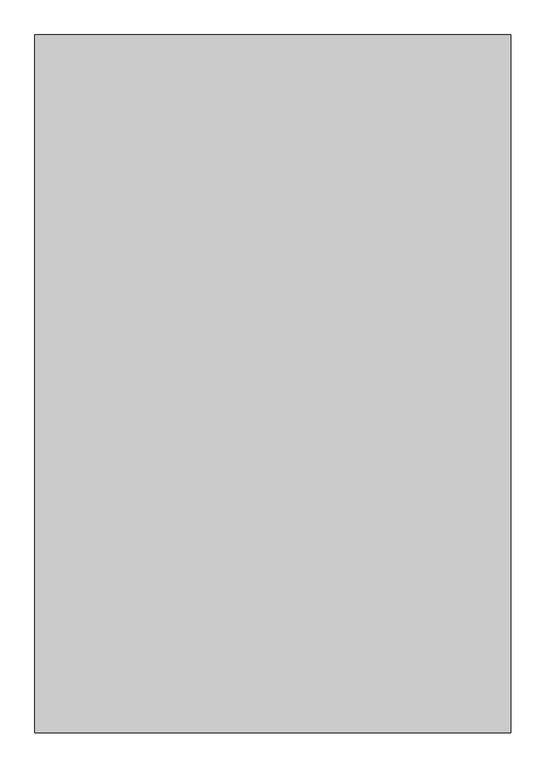
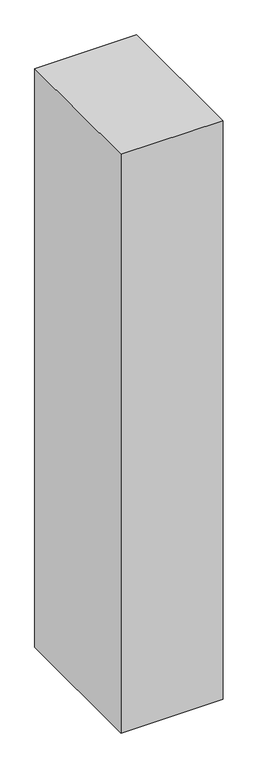
"""IFC4 building model written with IfcOpenShell, lengths in millimetres: proxy geometry."""

from ifc_helpers import new_model, si_unit, frame, origin, place, context, project, spatial, polyline, outline, extrude, source, transform, mapped, element, save


def generic_models_b8e654ba(model_context):
    return source(origin(), model_context, "Body", "SweptSolid", [
        extrude(outline(polyline([(1500.0, 1790.3998032), (1500.0, -409.6001968), (0.0, -409.6001968), (0.0, 1790.3998032), (1500.0, 1790.3998032)])), frame((0.0, 0.0, 1500.0), z_axis=(0.0, 0.0, 1.0), x_axis=(1.0, 0.0, 0.0)), (0.0, 0.0, 1.0), 9000.0),
    ])


if __name__ == "__main__":
    model = new_model("IFC4")
    model_context = context("Model", 3, world=origin())
    ifc_project = project(units=[si_unit("LENGTHUNIT", "METRE", prefix="MILLI")], contexts=[model_context])
    site = spatial("IfcSite", under=ifc_project)
    building = spatial("IfcBuilding", under=site)
    placement = place(None, origin())
    generic_models_shape = generic_models_b8e654ba(model_context)
    element("IfcBuildingElementProxy", 1, Name="Generic Models", at=placement, inside=building, context=model_context, shape_type="MappedRepresentation", body=[
        mapped(generic_models_shape, transform((0.0, 0.0, 0.0), x_axis=(1.0, 0.0, 0.0), y_axis=(0.0, 1.0, 0.0), z_axis=(0.0, 0.0, 1.0))),
    ])
    save(model, "model.ifc")
